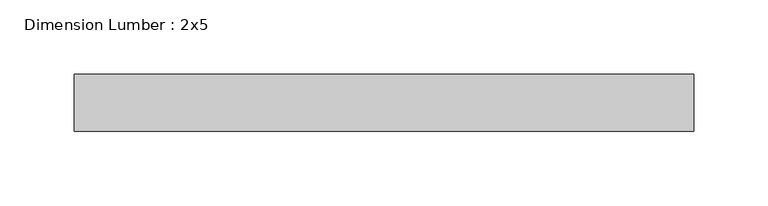
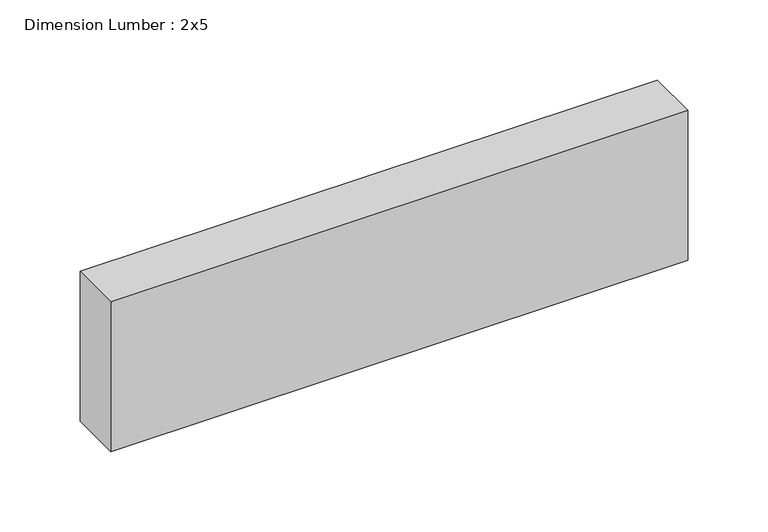
"""IFC4 building model written with IfcOpenShell, lengths in millimetres: beam geometry, Dimension Lumber : 2x5."""

from ifc_helpers import new_model, si_unit, frame, origin, place, context, project, spatial, polyline, outline, extrude, source, transform, mapped, element, save


def dimension_lumber_2x5_b1cd6a87(model_context):
    return source(origin(), model_context, "Body", "SweptSolid", [
        extrude(outline(polyline([(207.9819148, 19.05), (207.9819148, -19.05), (-207.9819148, -19.05), (-207.9819148, 19.05), (207.9819148, 19.05)])), frame((0.0, 0.0, -57.15), z_axis=(0.0, 0.0, 1.0), x_axis=(1.0, 0.0, 0.0)), (0.0, 0.0, 1.0), 114.3),
    ])


if __name__ == "__main__":
    model = new_model("IFC4")
    model_context = context("Model", 3, world=origin())
    ifc_project = project(units=[si_unit("LENGTHUNIT", "METRE", prefix="MILLI")], contexts=[model_context])
    site = spatial("IfcSite", under=ifc_project)
    building = spatial("IfcBuilding", under=site)
    placement = place(None, origin())
    dimension_lumber_2x5_shape = dimension_lumber_2x5_b1cd6a87(model_context)
    element("IfcBeam", 1, ObjectType="Dimension Lumber : 2x5", at=placement, inside=building, context=model_context, shape_type="MappedRepresentation", body=[
        mapped(dimension_lumber_2x5_shape, transform((0.0, 0.0, 0.0), x_axis=(1.0, 0.0, 0.0), y_axis=(0.0, 1.0, 0.0), z_axis=(0.0, 0.0, 1.0))),
    ])
    save(model, "model.ifc")
